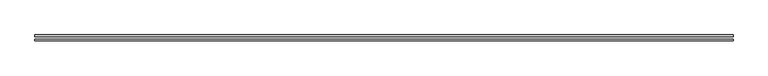
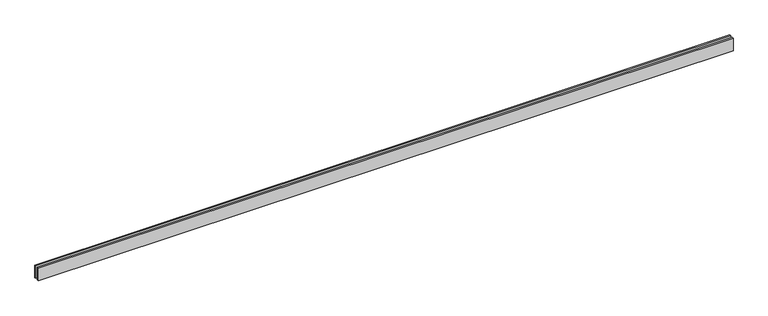
"""IFC4 building model written with IfcOpenShell, lengths in millimetres: proxy geometry."""

import ifcopenshell
import ifcopenshell.guid

model = None  # the IFC model being written
_history = None  # IfcOwnerHistory: only IFC2X3 demands one
_inside = {}  # id of a spatial element -> (the spatial element, [elements in it])
_under = {}  # id of a project, library or spatial element -> (it, [spatial elements below it])
_declared = {}  # id of a project -> (the project, [libraries it declares])
_typed = {}  # id of a type object -> (the type object, [elements of that type])
_made_of = {}  # id of a material, layer set ... -> (it, [elements and type objects made of it])


def new_model(schema):
    """Start an empty IFC model of exactly this schema.

    Asked for "IFC4X3", IfcOpenShell would pick the latest addendum, in which some entities
    have other attributes; the version numbers below select the first issue.
    IFC2X3 requires an IfcOwnerHistory on every rooted entity: one is made here for all.
    """
    global model, _history
    if schema == "IFC4X3":
        model = ifcopenshell.file(schema_version=(4, 3, 0, 0))
    else:
        model = ifcopenshell.file(schema=schema)
    _inside.clear()
    _under.clear()
    _declared.clear()
    _typed.clear()
    _made_of.clear()
    _history = None
    if model.schema == "IFC2X3":
        org = make("IfcOrganization", Name="unknown")
        user = make(
            "IfcPersonAndOrganization",
            ThePerson=make("IfcPerson", FamilyName="unknown"),
            TheOrganization=org,
        )
        app = make(
            "IfcApplication",
            ApplicationDeveloper=org,
            Version="unknown",
            ApplicationFullName="unknown",
            ApplicationIdentifier="unknown",
        )
        _history = make(
            "IfcOwnerHistory",
            OwningUser=user,
            OwningApplication=app,
            ChangeAction="ADDED",
            CreationDate=0,
        )
    return model


def make(cls, **values):
    """One entity of the class cls with the attributes given. An attribute that is None is left unset."""
    return model.create_entity(
        cls, **{name: value for name, value in values.items() if value is not None}
    )


def rooted(cls, **values):
    """An entity with a GlobalId (a new one), such as an element, a storey or a relation."""
    return make(cls, GlobalId=ifcopenshell.guid.new(), OwnerHistory=_history, **values)


def si_unit(unit_type, name, prefix=None):
    """IfcSIUnit, for example si_unit("LENGTHUNIT", "METRE", prefix="MILLI")."""
    return make("IfcSIUnit", UnitType=unit_type, Prefix=prefix, Name=name)


def assignment(units):
    """IfcUnitAssignment: the units of a project."""
    return None if units is None else make("IfcUnitAssignment", Units=units)


def point(xyz):
    """IfcCartesianPoint."""
    return None if xyz is None else make("IfcCartesianPoint", Coordinates=xyz)


def direction(xyz):
    """IfcDirection."""
    return None if xyz is None else make("IfcDirection", DirectionRatios=xyz)


def frame(location, z_axis=None, x_axis=None):
    """IfcAxis2Placement3D, a coordinate frame: its origin and axes. An axis left out is left unset."""
    return make(
        "IfcAxis2Placement3D",
        Location=point(location),
        Axis=direction(z_axis),
        RefDirection=direction(x_axis),
    )


def origin():
    """The frame at (0, 0, 0) with its axes left unset."""
    return frame((0.0, 0.0, 0.0))


def origin_with_axes():
    """The frame at (0, 0, 0) with the z axis (0, 0, 1) and the x axis (1, 0, 0) written out."""
    return frame((0.0, 0.0, 0.0), z_axis=(0.0, 0.0, 1.0), x_axis=(1.0, 0.0, 0.0))


def place(relative_to, where):
    """IfcLocalPlacement: puts the frame where relative to a parent placement (None: the world)."""
    return make(
        "IfcLocalPlacement", PlacementRelTo=relative_to, RelativePlacement=where
    )


def context(
    kind, dimensions, precision=None, world=None, true_north=None, identifier=None
):
    """IfcGeometricRepresentationContext, for example the 3D "Model" context."""
    return make(
        "IfcGeometricRepresentationContext",
        ContextIdentifier=identifier,
        ContextType=kind,
        CoordinateSpaceDimension=dimensions,
        Precision=precision,
        WorldCoordinateSystem=world,
        TrueNorth=true_north,
    )


def project(units=None, contexts=None):
    """IfcProject with its units and contexts."""
    return rooted(
        "IfcProject",
        Name="project",
        RepresentationContexts=contexts,
        UnitsInContext=assignment(units),
    )


def spatial(cls, under=None, at=None, **own):
    """A site, building, storey or space (cls), placed at a placement, below another one or the project."""
    s = rooted(cls, ObjectPlacement=at, **own)
    if under is not None:
        _under.setdefault(under.id(), (under, []))[1].append(s)
    return s


def polyline(points):
    """IfcPolyline through the points."""
    return make("IfcPolyline", Points=[point(p) for p in points])


def outline(outer, holes=None, kind="AREA"):
    """IfcArbitraryClosedProfileDef: a profile drawn as a closed curve; with holes, ...WithVoids."""
    if holes is None:
        return make("IfcArbitraryClosedProfileDef", ProfileType=kind, OuterCurve=outer)
    return make(
        "IfcArbitraryProfileDefWithVoids",
        ProfileType=kind,
        OuterCurve=outer,
        InnerCurves=holes,
    )


def extrude(swept, where, along, depth):
    """IfcExtrudedAreaSolid: the profile swept, set in the frame where, extruded along a direction by depth."""
    return make(
        "IfcExtrudedAreaSolid",
        SweptArea=swept,
        Position=where,
        ExtrudedDirection=direction(along),
        Depth=depth,
    )


def shape(context_of_items, identifier, shape_type, items):
    """IfcShapeRepresentation: the items that make up one representation, for example the "Body"."""
    return make(
        "IfcShapeRepresentation",
        ContextOfItems=context_of_items,
        RepresentationIdentifier=identifier,
        RepresentationType=shape_type,
        Items=items,
    )


def source(mapping_origin, context_of_items, identifier, shape_type, items):
    """IfcRepresentationMap: a shape defined once, which mapped items show again and again."""
    return make(
        "IfcRepresentationMap",
        MappingOrigin=mapping_origin,
        MappedRepresentation=shape(context_of_items, identifier, shape_type, items),
    )


def transform(
    local_origin,
    x_axis=None,
    y_axis=None,
    z_axis=None,
    scale=None,
    scale2=None,
    scale3=None,
    uniform=True,
):
    """IfcCartesianTransformationOperator3D, or its non-uniform kind. x_axis, y_axis, z_axis: its Axis1, 2, 3."""
    if uniform:
        return make(
            "IfcCartesianTransformationOperator3D",
            Axis1=direction(x_axis),
            Axis2=direction(y_axis),
            LocalOrigin=point(local_origin),
            Scale=scale,
            Axis3=direction(z_axis),
        )
    return make(
        "IfcCartesianTransformationOperator3DnonUniform",
        Axis1=direction(x_axis),
        Axis2=direction(y_axis),
        LocalOrigin=point(local_origin),
        Scale=scale,
        Axis3=direction(z_axis),
        Scale2=scale2,
        Scale3=scale3,
    )


def mapped(mapping_source, mapping_target):
    """IfcMappedItem: shows the shape of a source again, moved by a transform."""
    return make(
        "IfcMappedItem", MappingSource=mapping_source, MappingTarget=mapping_target
    )


def made_of(thing, what):
    """Note that an element or type object is made of a material, layer set ...; save() writes the relation."""
    if what is not None:
        _made_of.setdefault(what.id(), (what, []))[1].append(thing)
    return thing


def element(
    cls,
    number,
    at=None,
    inside=None,
    cuts=None,
    type_object=None,
    material=None,
    context=None,
    identifier="Body",
    shape_type=None,
    held_by="IfcProductDefinitionShape",
    body=None,
    shapes=None,
    **own,
):
    """One element of the class cls, such as IfcWall. Its Tag is "e" and its number.

    at: its placement. inside: the storey or other place that contains it. cuts: it is an
    opening in that element (IfcRelVoidsElement). A single representation is given by context,
    identifier, shape_type and body (its items); several are given by shapes. held_by: the class
    of the entity that holds the representations. save() writes the other relations.
    """
    e = rooted(cls, Tag="e%d" % number, ObjectPlacement=at, **own)
    if body is not None:
        shapes = [shape(context, identifier, shape_type, body)]
    if shapes is not None:
        e.Representation = make(held_by, Representations=shapes)
    if inside is not None:
        _inside.setdefault(inside.id(), (inside, []))[1].append(e)
    if cuts is not None:
        rooted(
            "IfcRelVoidsElement", RelatingBuildingElement=cuts, RelatedOpeningElement=e
        )
    if type_object is not None:
        _typed.setdefault(type_object.id(), (type_object, []))[1].append(e)
    return made_of(e, material)


def aggregate(whole, parts):
    """IfcRelAggregates: a whole, such as a stair, and the parts it consists of."""
    return rooted("IfcRelAggregates", RelatingObject=whole, RelatedObjects=parts)


def save(model, path):
    """Write the relations noted so far, then the file.

    IfcRelAggregates (storeys below a building ...), IfcRelContainedInSpatialStructure (elements
    in a storey), IfcRelDefinesByType, IfcRelAssociatesMaterial and IfcRelDeclares: one each for
    every whole, place, type object, material and project.
    """
    for whole, parts in _under.values():
        aggregate(whole, parts)
    for where, things in _inside.values():
        rooted(
            "IfcRelContainedInSpatialStructure",
            RelatedElements=things,
            RelatingStructure=where,
        )
    for kind, things in _typed.values():
        rooted("IfcRelDefinesByType", RelatedObjects=things, RelatingType=kind)
    for what, things in _made_of.values():
        rooted("IfcRelAssociatesMaterial", RelatedObjects=things, RelatingMaterial=what)
    for by, libraries in _declared.values():
        rooted("IfcRelDeclares", RelatingContext=by, RelatedDefinitions=libraries)
    model.write(path)


def generic_models_82406151(model_context):
    return source(origin(), model_context, "Body", "SweptSolid", [
        extrude(outline(polyline([(13110.0, 25.0), (0.0, 25.0), (0.0, 55.0), (13110.0, 55.0), (13110.0, 25.0)])), origin_with_axes(), (0.0, 0.0, 1.0), 250.0),
        extrude(outline(polyline([(13110.0, -55.0), (0.0, -55.0), (0.0, -25.0), (13110.0, -25.0), (13110.0, -55.0)])), origin_with_axes(), (0.0, 0.0, 1.0), 250.0),
    ])


if __name__ == "__main__":
    model = new_model("IFC4")
    model_context = context("Model", 3, world=origin())
    ifc_project = project(units=[si_unit("LENGTHUNIT", "METRE", prefix="MILLI")], contexts=[model_context])
    site = spatial("IfcSite", under=ifc_project)
    building = spatial("IfcBuilding", under=site)
    placement = place(None, origin())
    generic_models_shape = generic_models_82406151(model_context)
    element("IfcBuildingElementProxy", 1, Name="Generic Models", at=placement, inside=building, context=model_context, shape_type="MappedRepresentation", body=[
        mapped(generic_models_shape, transform((0.0, 0.0, 0.0), x_axis=(1.0, 0.0, 0.0), y_axis=(0.0, 1.0, 0.0), z_axis=(0.0, 0.0, 1.0))),
    ])
    save(model, "model.ifc")
